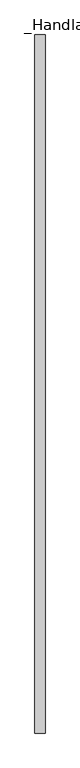
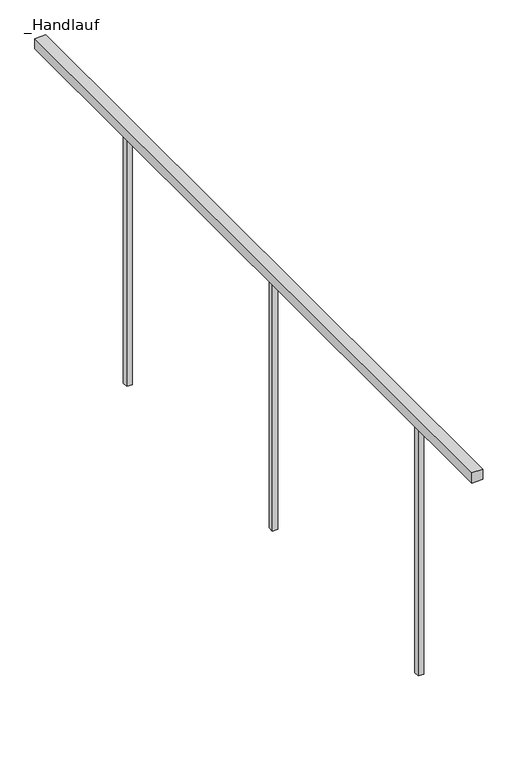
"""IFC4 building model written with IfcOpenShell, lengths in millimetres: railing geometry, _Handlauf."""

from ifc_helpers import new_model, si_unit, frame, origin, place, context, project, spatial, polyline, outline, extrude, source, transform, mapped, element, save


def handlauf_e6babc59(model_context):
    return source(origin(), model_context, "Body", "SweptSolid", [
        extrude(outline(polyline([(8940.0, 8050.0), (8980.0, 8050.0), (8980.0, 5300.0), (8940.0, 5300.0), (8940.0, 8050.0)])), frame((0.0, 0.0, 7960.0), z_axis=(0.0, 0.0, 1.0), x_axis=(1.0, 0.0, 0.0)), (0.0, 0.0, 1.0), 40.0),
        extrude(outline(polyline([(8950.0, 5676.6666667), (8970.0, 5676.6666667), (8970.0, 5656.6666667), (8950.0, 5656.6666667), (8950.0, 5676.6666667)])), frame((0.0, 0.0, 7000.0), z_axis=(0.0, 0.0, 1.0), x_axis=(1.0, 0.0, 0.0)), (0.0, 0.0, 1.0), 960.0),
        extrude(outline(polyline([(8950.0, 6593.3333333), (8970.0, 6593.3333333), (8970.0, 6573.3333333), (8950.0, 6573.3333333), (8950.0, 6593.3333333)])), frame((0.0, 0.0, 7000.0), z_axis=(0.0, 0.0, 1.0), x_axis=(1.0, 0.0, 0.0)), (0.0, 0.0, 1.0), 960.0),
        extrude(outline(polyline([(8950.0, 7510.0), (8970.0, 7510.0), (8970.0, 7490.0), (8950.0, 7490.0), (8950.0, 7510.0)])), frame((0.0, 0.0, 7000.0), z_axis=(0.0, 0.0, 1.0), x_axis=(1.0, 0.0, 0.0)), (0.0, 0.0, 1.0), 960.0),
    ])


if __name__ == "__main__":
    model = new_model("IFC4")
    model_context = context("Model", 3, world=origin())
    ifc_project = project(units=[si_unit("LENGTHUNIT", "METRE", prefix="MILLI")], contexts=[model_context])
    site = spatial("IfcSite", under=ifc_project)
    building = spatial("IfcBuilding", under=site)
    placement = place(None, origin())
    handlauf_shape = handlauf_e6babc59(model_context)
    element("IfcRailing", 1, ObjectType="_Handlauf", at=placement, inside=building, context=model_context, shape_type="MappedRepresentation", body=[
        mapped(handlauf_shape, transform((0.0, 0.0, 0.0), x_axis=(1.0, 0.0, 0.0), y_axis=(0.0, 1.0, 0.0), z_axis=(0.0, 0.0, 1.0))),
    ])
    save(model, "model.ifc")
